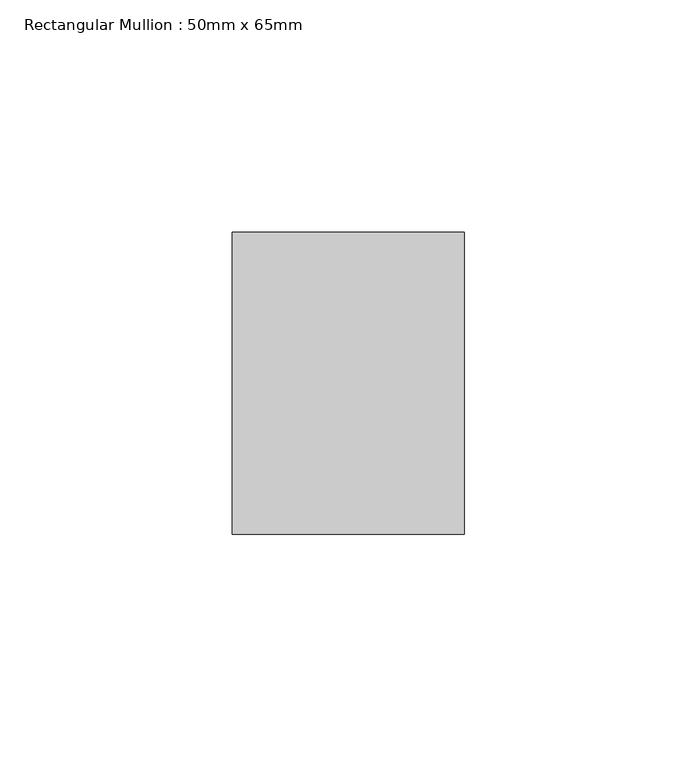
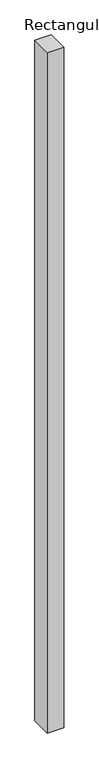
"""IFC4 building model written with IfcOpenShell, lengths in millimetres: member geometry, Rectangular Mullion : 50mm x 65mm."""

import ifcopenshell
import ifcopenshell.guid

model = None  # the IFC model being written
_history = None  # IfcOwnerHistory: only IFC2X3 demands one
_inside = {}  # id of a spatial element -> (the spatial element, [elements in it])
_under = {}  # id of a project, library or spatial element -> (it, [spatial elements below it])
_declared = {}  # id of a project -> (the project, [libraries it declares])
_typed = {}  # id of a type object -> (the type object, [elements of that type])
_made_of = {}  # id of a material, layer set ... -> (it, [elements and type objects made of it])


def new_model(schema):
    """Start an empty IFC model of exactly this schema.

    Asked for "IFC4X3", IfcOpenShell would pick the latest addendum, in which some entities
    have other attributes; the version numbers below select the first issue.
    IFC2X3 requires an IfcOwnerHistory on every rooted entity: one is made here for all.
    """
    global model, _history
    if schema == "IFC4X3":
        model = ifcopenshell.file(schema_version=(4, 3, 0, 0))
    else:
        model = ifcopenshell.file(schema=schema)
    _inside.clear()
    _under.clear()
    _declared.clear()
    _typed.clear()
    _made_of.clear()
    _history = None
    if model.schema == "IFC2X3":
        org = make("IfcOrganization", Name="unknown")
        user = make(
            "IfcPersonAndOrganization",
            ThePerson=make("IfcPerson", FamilyName="unknown"),
            TheOrganization=org,
        )
        app = make(
            "IfcApplication",
            ApplicationDeveloper=org,
            Version="unknown",
            ApplicationFullName="unknown",
            ApplicationIdentifier="unknown",
        )
        _history = make(
            "IfcOwnerHistory",
            OwningUser=user,
            OwningApplication=app,
            ChangeAction="ADDED",
            CreationDate=0,
        )
    return model


def make(cls, **values):
    """One entity of the class cls with the attributes given. An attribute that is None is left unset."""
    return model.create_entity(
        cls, **{name: value for name, value in values.items() if value is not None}
    )


def rooted(cls, **values):
    """An entity with a GlobalId (a new one), such as an element, a storey or a relation."""
    return make(cls, GlobalId=ifcopenshell.guid.new(), OwnerHistory=_history, **values)


def si_unit(unit_type, name, prefix=None):
    """IfcSIUnit, for example si_unit("LENGTHUNIT", "METRE", prefix="MILLI")."""
    return make("IfcSIUnit", UnitType=unit_type, Prefix=prefix, Name=name)


def assignment(units):
    """IfcUnitAssignment: the units of a project."""
    return None if units is None else make("IfcUnitAssignment", Units=units)


def point(xyz):
    """IfcCartesianPoint."""
    return None if xyz is None else make("IfcCartesianPoint", Coordinates=xyz)


def direction(xyz):
    """IfcDirection."""
    return None if xyz is None else make("IfcDirection", DirectionRatios=xyz)


def frame(location, z_axis=None, x_axis=None):
    """IfcAxis2Placement3D, a coordinate frame: its origin and axes. An axis left out is left unset."""
    return make(
        "IfcAxis2Placement3D",
        Location=point(location),
        Axis=direction(z_axis),
        RefDirection=direction(x_axis),
    )


def origin():
    """The frame at (0, 0, 0) with its axes left unset."""
    return frame((0.0, 0.0, 0.0))


def place(relative_to, where):
    """IfcLocalPlacement: puts the frame where relative to a parent placement (None: the world)."""
    return make(
        "IfcLocalPlacement", PlacementRelTo=relative_to, RelativePlacement=where
    )


def context(
    kind, dimensions, precision=None, world=None, true_north=None, identifier=None
):
    """IfcGeometricRepresentationContext, for example the 3D "Model" context."""
    return make(
        "IfcGeometricRepresentationContext",
        ContextIdentifier=identifier,
        ContextType=kind,
        CoordinateSpaceDimension=dimensions,
        Precision=precision,
        WorldCoordinateSystem=world,
        TrueNorth=true_north,
    )


def project(units=None, contexts=None):
    """IfcProject with its units and contexts."""
    return rooted(
        "IfcProject",
        Name="project",
        RepresentationContexts=contexts,
        UnitsInContext=assignment(units),
    )


def spatial(cls, under=None, at=None, **own):
    """A site, building, storey or space (cls), placed at a placement, below another one or the project."""
    s = rooted(cls, ObjectPlacement=at, **own)
    if under is not None:
        _under.setdefault(under.id(), (under, []))[1].append(s)
    return s


def polyline(points):
    """IfcPolyline through the points."""
    return make("IfcPolyline", Points=[point(p) for p in points])


def outline(outer, holes=None, kind="AREA"):
    """IfcArbitraryClosedProfileDef: a profile drawn as a closed curve; with holes, ...WithVoids."""
    if holes is None:
        return make("IfcArbitraryClosedProfileDef", ProfileType=kind, OuterCurve=outer)
    return make(
        "IfcArbitraryProfileDefWithVoids",
        ProfileType=kind,
        OuterCurve=outer,
        InnerCurves=holes,
    )


def extrude(swept, where, along, depth):
    """IfcExtrudedAreaSolid: the profile swept, set in the frame where, extruded along a direction by depth."""
    return make(
        "IfcExtrudedAreaSolid",
        SweptArea=swept,
        Position=where,
        ExtrudedDirection=direction(along),
        Depth=depth,
    )


def shape(context_of_items, identifier, shape_type, items):
    """IfcShapeRepresentation: the items that make up one representation, for example the "Body"."""
    return make(
        "IfcShapeRepresentation",
        ContextOfItems=context_of_items,
        RepresentationIdentifier=identifier,
        RepresentationType=shape_type,
        Items=items,
    )


def source(mapping_origin, context_of_items, identifier, shape_type, items):
    """IfcRepresentationMap: a shape defined once, which mapped items show again and again."""
    return make(
        "IfcRepresentationMap",
        MappingOrigin=mapping_origin,
        MappedRepresentation=shape(context_of_items, identifier, shape_type, items),
    )


def transform(
    local_origin,
    x_axis=None,
    y_axis=None,
    z_axis=None,
    scale=None,
    scale2=None,
    scale3=None,
    uniform=True,
):
    """IfcCartesianTransformationOperator3D, or its non-uniform kind. x_axis, y_axis, z_axis: its Axis1, 2, 3."""
    if uniform:
        return make(
            "IfcCartesianTransformationOperator3D",
            Axis1=direction(x_axis),
            Axis2=direction(y_axis),
            LocalOrigin=point(local_origin),
            Scale=scale,
            Axis3=direction(z_axis),
        )
    return make(
        "IfcCartesianTransformationOperator3DnonUniform",
        Axis1=direction(x_axis),
        Axis2=direction(y_axis),
        LocalOrigin=point(local_origin),
        Scale=scale,
        Axis3=direction(z_axis),
        Scale2=scale2,
        Scale3=scale3,
    )


def mapped(mapping_source, mapping_target):
    """IfcMappedItem: shows the shape of a source again, moved by a transform."""
    return make(
        "IfcMappedItem", MappingSource=mapping_source, MappingTarget=mapping_target
    )


def made_of(thing, what):
    """Note that an element or type object is made of a material, layer set ...; save() writes the relation."""
    if what is not None:
        _made_of.setdefault(what.id(), (what, []))[1].append(thing)
    return thing


def element(
    cls,
    number,
    at=None,
    inside=None,
    cuts=None,
    type_object=None,
    material=None,
    context=None,
    identifier="Body",
    shape_type=None,
    held_by="IfcProductDefinitionShape",
    body=None,
    shapes=None,
    **own,
):
    """One element of the class cls, such as IfcWall. Its Tag is "e" and its number.

    at: its placement. inside: the storey or other place that contains it. cuts: it is an
    opening in that element (IfcRelVoidsElement). A single representation is given by context,
    identifier, shape_type and body (its items); several are given by shapes. held_by: the class
    of the entity that holds the representations. save() writes the other relations.
    """
    e = rooted(cls, Tag="e%d" % number, ObjectPlacement=at, **own)
    if body is not None:
        shapes = [shape(context, identifier, shape_type, body)]
    if shapes is not None:
        e.Representation = make(held_by, Representations=shapes)
    if inside is not None:
        _inside.setdefault(inside.id(), (inside, []))[1].append(e)
    if cuts is not None:
        rooted(
            "IfcRelVoidsElement", RelatingBuildingElement=cuts, RelatedOpeningElement=e
        )
    if type_object is not None:
        _typed.setdefault(type_object.id(), (type_object, []))[1].append(e)
    return made_of(e, material)


def aggregate(whole, parts):
    """IfcRelAggregates: a whole, such as a stair, and the parts it consists of."""
    return rooted("IfcRelAggregates", RelatingObject=whole, RelatedObjects=parts)


def save(model, path):
    """Write the relations noted so far, then the file.

    IfcRelAggregates (storeys below a building ...), IfcRelContainedInSpatialStructure (elements
    in a storey), IfcRelDefinesByType, IfcRelAssociatesMaterial and IfcRelDeclares: one each for
    every whole, place, type object, material and project.
    """
    for whole, parts in _under.values():
        aggregate(whole, parts)
    for where, things in _inside.values():
        rooted(
            "IfcRelContainedInSpatialStructure",
            RelatedElements=things,
            RelatingStructure=where,
        )
    for kind, things in _typed.values():
        rooted("IfcRelDefinesByType", RelatedObjects=things, RelatingType=kind)
    for what, things in _made_of.values():
        rooted("IfcRelAssociatesMaterial", RelatedObjects=things, RelatingMaterial=what)
    for by, libraries in _declared.values():
        rooted("IfcRelDeclares", RelatingContext=by, RelatedDefinitions=libraries)
    model.write(path)


def rectangular_mullion_50mm_x_65mm_e067a9b3(model_context):
    return source(origin(), model_context, "Body", "SweptSolid", [
        extrude(outline(polyline([(25.0, 32.5), (25.0, -32.5), (-25.0, -32.5), (-25.0, 32.5), (25.0, 32.5)])), frame((0.0, 0.0, -2186.9739525), z_axis=(0.0, 0.0, 1.0), x_axis=(1.0, 0.0, 0.0)), (0.0, 0.0, 1.0), 2186.9739525),
    ])


if __name__ == "__main__":
    model = new_model("IFC4")
    model_context = context("Model", 3, world=origin())
    ifc_project = project(units=[si_unit("LENGTHUNIT", "METRE", prefix="MILLI")], contexts=[model_context])
    site = spatial("IfcSite", under=ifc_project)
    building = spatial("IfcBuilding", under=site)
    placement = place(None, origin())
    rectangular_mullion_50mm_x_65mm_shape = rectangular_mullion_50mm_x_65mm_e067a9b3(model_context)
    element("IfcMember", 1, ObjectType="Rectangular Mullion : 50mm x 65mm", at=placement, inside=building, context=model_context, shape_type="MappedRepresentation", body=[
        mapped(rectangular_mullion_50mm_x_65mm_shape, transform((0.0, 0.0, 0.0), x_axis=(1.0, 0.0, 0.0), y_axis=(0.0, 1.0, 0.0), z_axis=(0.0, 0.0, 1.0))),
    ])
    save(model, "model.ifc")
